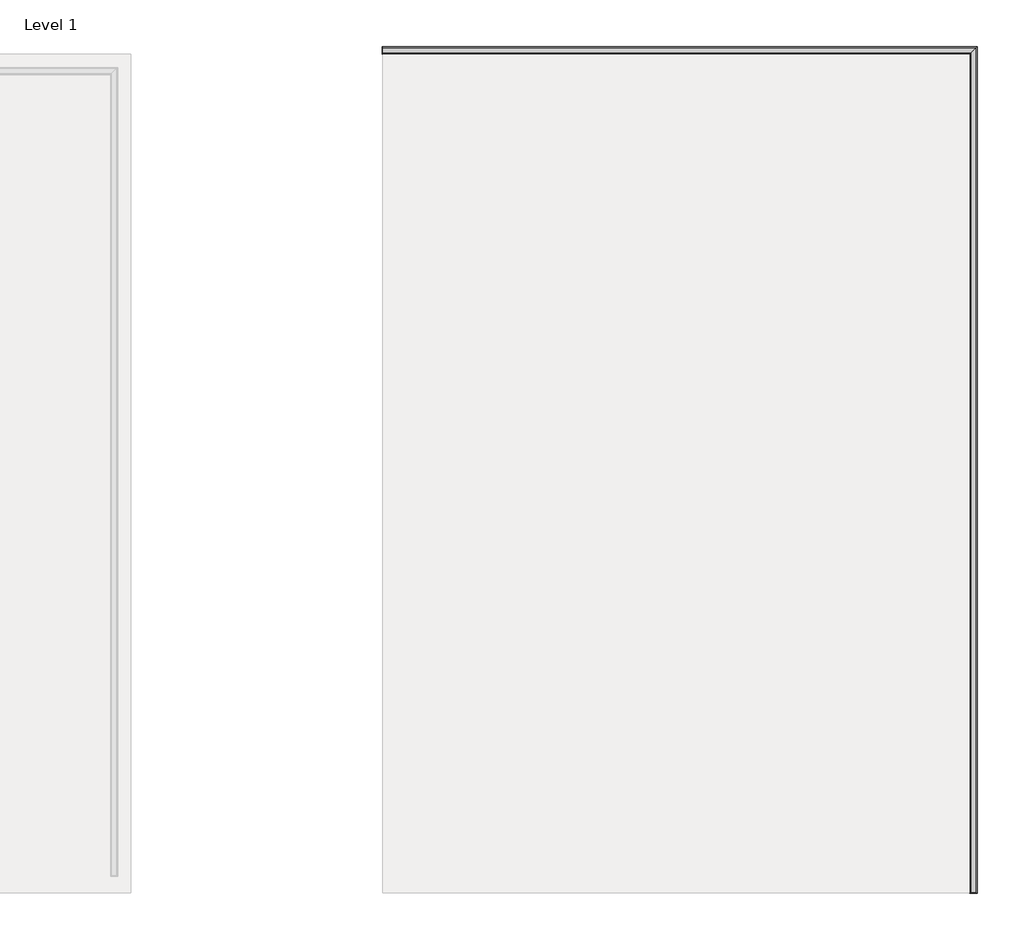
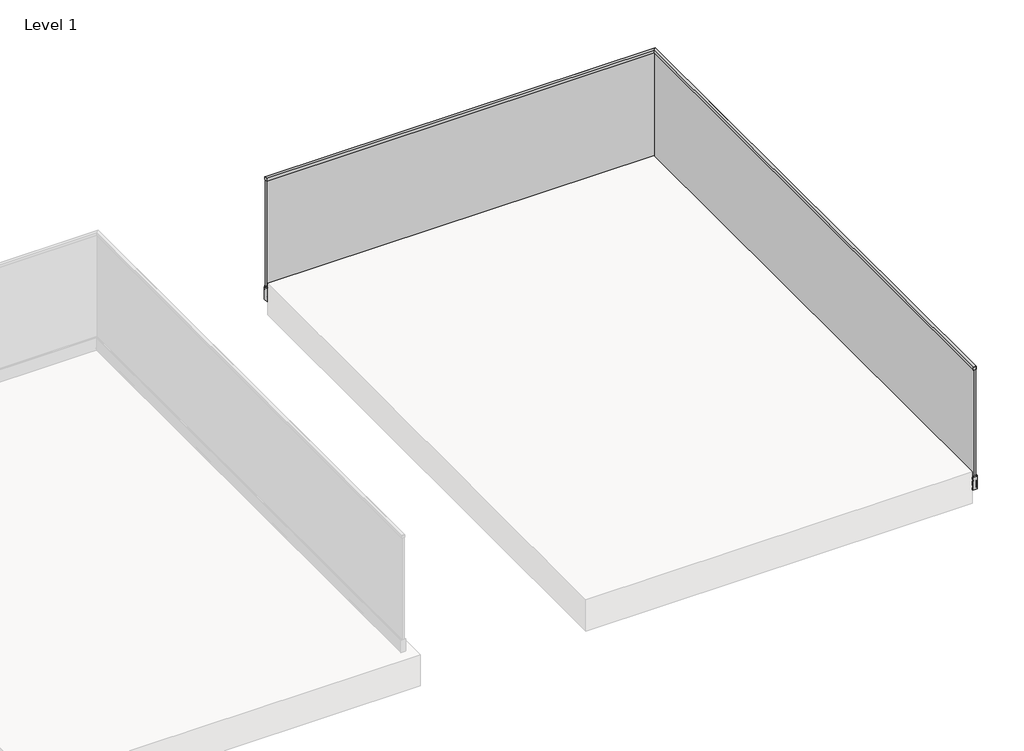
# One storey, part 5 of 11: 1 railing.
"""IFC4 building model written with IfcOpenShell, lengths in millimetres."""

from ifc_helpers import new_model, si_unit, frame, origin, place, context, project, spatial, polyline, circle_curve, ellipse_curve, outline, extrude, faceted_brep, element, save
from ifc_brep_helpers import plane_surface, cylinder_surface, revolved_surface, advanced_brep

model = new_model("IFC4")

# Units and contexts
model_context = context("Model", 3, world=origin())
ifc_project = project(units=[si_unit("LENGTHUNIT", "METRE", prefix="MILLI")], contexts=[model_context])

# Site, building, storey
site = spatial("IfcSite", under=ifc_project)
building = spatial("IfcBuilding", under=site)
storey = spatial("IfcBuildingStorey", under=building, Name="Level 1", Elevation=0.0)

# Railing
placement = place(None, origin())
element("IfcRailing", 1, at=placement, inside=storey, context=model_context, shape_type="SolidModel", body=[
    extrude(outline(polyline([(-44851.8362173, 997.25), (-44827.8362173, 997.25), (-44827.8362173, 976.25), (-44829.3362173, 976.25), (-44829.3362173, 995.75), (-44850.3362173, 995.75), (-44850.3362173, 976.25), (-44851.8362173, 976.25), (-44851.8362173, 997.25)])), frame((-8668.5524845, 0.0, 0.0), z_axis=(1.0, 0.0, 0.0), x_axis=(0.0, 1.0, 0.0)), (0.0, 0.0, 1.0), 18.0),
    extrude(outline(polyline([(-8670.5524845, -44853.8362173), (-8670.5524845, -44825.8362173), (-8668.5524845, -44825.8362173), (-8668.5524845, -44853.8362173), (-8670.5524845, -44853.8362173)])), frame((0.0, 0.0, 974.25), z_axis=(0.0, 0.0, 1.0), x_axis=(1.0, 0.0, 0.0)), (0.0, 0.0, 1.0), 25.0),
    extrude(outline(polyline([(997.25, -5132.0524845), (997.25, -5156.0524845), (976.25, -5156.0524845), (976.25, -5154.5524845), (995.75, -5154.5524845), (995.75, -5133.5524845), (976.25, -5133.5524845), (976.25, -5132.0524845), (997.25, -5132.0524845)])), frame((0.0, -49864.3362173, 0.0), z_axis=(0.0, 1.0, 0.0), x_axis=(0.0, 0.0, 1.0)), (0.0, 0.0, 1.0), 18.0),
    extrude(outline(polyline([(-5130.0524845, -49866.3362173), (-5158.0524845, -49866.3362173), (-5158.0524845, -49864.3362173), (-5130.0524845, -49864.3362173), (-5130.0524845, -49866.3362173)])), frame((0.0, 0.0, 974.25), z_axis=(0.0, 0.0, 1.0), x_axis=(1.0, 0.0, 0.0)), (0.0, 0.0, 1.0), 25.0),
    faceted_brep([(-5156.0524845, -49864.3362173, 997.0), (-5132.0524845, -49864.3362173, 997.0), (-5132.0524845, -49864.3362173, 974.5), (-5130.5524845, -49864.3362173, 974.5), (-5130.5524845, -49864.3362173, 999.0), (-5157.5524845, -49864.3362173, 999.0), (-5157.5524845, -49864.3362173, 974.5), (-5156.0524845, -49864.3362173, 974.5), (-5156.0524845, -49863.3362173, 997.0), (-5132.0524845, -49863.3362173, 997.0), (-5132.0524845, -49863.3362173, 974.5), (-5130.5524845, -49863.3362173, 974.5), (-5130.5524845, -49863.3362173, 999.0), (-5157.5524845, -49863.3362173, 999.0), (-5157.5524845, -49863.3362173, 974.5), (-5156.0524845, -49863.3362173, 974.5), (-5156.0524845, -44851.8362173, 997.0), (-5132.0524845, -44827.8362173, 997.0), (-5132.0524845, -44827.8362173, 974.5), (-5130.5524845, -44826.3362173, 974.5), (-5130.5524845, -44826.3362173, 999.0), (-5157.5524845, -44853.3362173, 999.0), (-5157.5524845, -44853.3362173, 974.5), (-5156.0524845, -44851.8362173, 974.5), (-8667.5524845, -44851.8362173, 997.0), (-8667.5524845, -44827.8362173, 997.0), (-8667.5524845, -44827.8362173, 974.5), (-8667.5524845, -44826.3362173, 974.5), (-8667.5524845, -44826.3362173, 999.0), (-8667.5524845, -44853.3362173, 999.0), (-8667.5524845, -44853.3362173, 974.5), (-8667.5524845, -44851.8362173, 974.5), (-8668.5524845, -44851.8362173, 997.0), (-8668.5524845, -44851.8362173, 974.5), (-8668.5524845, -44853.3362173, 974.5), (-8668.5524845, -44853.3362173, 999.0), (-8668.5524845, -44826.3362173, 999.0), (-8668.5524845, -44826.3362173, 974.5), (-8668.5524845, -44827.8362173, 974.5), (-8668.5524845, -44827.8362173, 997.0)], [[[0, 1, 2, 3, 4, 5, 6, 7]], [[1, 0, 8, 9]], [[2, 1, 9, 10]], [[3, 2, 10, 11]], [[4, 3, 11, 12]], [[5, 4, 12, 13]], [[6, 5, 13, 14]], [[7, 6, 14, 15]], [[0, 7, 15, 8]], [[9, 8, 16, 17]], [[10, 9, 17, 18]], [[11, 10, 18, 19]], [[12, 11, 19, 20]], [[13, 12, 20, 21]], [[14, 13, 21, 22]], [[15, 14, 22, 23]], [[8, 15, 23, 16]], [[17, 16, 24, 25]], [[18, 17, 25, 26]], [[19, 18, 26, 27]], [[20, 19, 27, 28]], [[21, 20, 28, 29]], [[22, 21, 29, 30]], [[23, 22, 30, 31]], [[16, 23, 31, 24]], [[32, 33, 34, 35, 36, 37, 38, 39]], [[25, 24, 32, 39]], [[26, 25, 39, 38]], [[27, 26, 38, 37]], [[28, 27, 37, 36]], [[29, 28, 36, 35]], [[30, 29, 35, 34]], [[31, 30, 34, 33]], [[24, 31, 33, 32]]]),
    faceted_brep([(-5135.2924845, -49863.3362173, 993.0), (-5152.8124845, -49863.3362173, 993.0), (-5152.8124845, -49863.3362173, -157.0), (-5135.2924845, -49863.3362173, -157.0), (-5135.2924845, -44831.0762173, 993.0), (-5152.8124845, -44848.5962173, 993.0), (-5152.8124845, -44848.5962173, -157.0), (-5135.2924845, -44831.0762173, -157.0), (-8667.5524845, -44831.0762173, 993.0), (-8667.5524845, -44831.0762173, -157.0), (-8667.5524845, -44848.5962173, -157.0), (-8667.5524845, -44848.5962173, 993.0)], [[[0, 1, 2, 3]], [[1, 0, 4, 5]], [[2, 1, 5, 6]], [[3, 2, 6, 7]], [[0, 3, 7, 4]], [[8, 9, 10, 11]], [[5, 4, 8, 11]], [[6, 5, 11, 10]], [[7, 6, 10, 9]], [[4, 7, 9, 8]]]),
    faceted_brep([(-5156.5524845, -49863.3362173, -160.0), (-5156.5524845, -49863.3362173, -140.0), (-5160.5905785, -49863.3362173, -50.0), (-5166.4524845, -49863.3362173, -50.0), (-5167.5524845, -49863.3362173, -51.1), (-5167.5524845, -49863.3362173, -69.1), (-5165.0524845, -49863.3362173, -71.6), (-5165.0524845, -49863.3362173, -88.0), (-5167.5524845, -49863.3362173, -90.5), (-5167.5524845, -49863.3362173, -129.5), (-5165.0524845, -49863.3362173, -132.0), (-5165.0524845, -49863.3362173, -148.0), (-5167.5524845, -49863.3362173, -150.5), (-5167.5524845, -49863.3362173, -170.0), (-5122.5524844, -49863.3362173, -170.0), (-5122.5524844, -49863.3362173, -168.0), (-5126.8024844, -49863.3362173, -167.4027015), (-5126.8024844, -49863.3362173, -165.7499556), (-5123.0524844, -49863.3362173, -165.7499556), (-5123.0524844, -49863.3362173, -49.0), (-5124.0524844, -49863.3362173, -49.0), (-5125.0524844, -49863.3362173, -50.0), (-5128.7524845, -49863.3362173, -50.0), (-5128.7524845, -49863.3362173, -70.0), (-5127.7524845, -49863.3362173, -70.5773503), (-5131.5524845, -49863.3362173, -93.5), (-5131.5524845, -49863.3362173, -160.0), (-8667.5524845, -44852.3362173, -160.0), (-8667.5524845, -44827.3362173, -160.0), (-8667.5524845, -44827.3362173, -93.5), (-8667.5524845, -44823.5362173, -70.5773503), (-8667.5524845, -44824.5362173, -70.0), (-8667.5524845, -44824.5362173, -50.0), (-8667.5524845, -44820.8362172, -50.0), (-8667.5524845, -44819.8362172, -49.0), (-8667.5524845, -44818.8362172, -49.0), (-8667.5524845, -44818.8362172, -165.7499556), (-8667.5524845, -44822.5862172, -165.7499556), (-8667.5524845, -44822.5862172, -167.4027015), (-8667.5524845, -44818.3362172, -168.0), (-8667.5524845, -44818.3362172, -170.0), (-8667.5524845, -44863.3362173, -170.0), (-8667.5524845, -44863.3362173, -150.5), (-8667.5524845, -44860.8362173, -148.0), (-8667.5524845, -44860.8362173, -132.0), (-8667.5524845, -44863.3362173, -129.5), (-8667.5524845, -44863.3362173, -90.5), (-8667.5524845, -44860.8362173, -88.0), (-8667.5524845, -44860.8362173, -71.6), (-8667.5524845, -44863.3362173, -69.1), (-8667.5524845, -44863.3362173, -51.1), (-8667.5524845, -44862.2362173, -50.0), (-8667.5524845, -44856.3743114, -50.0), (-8667.5524845, -44852.3362173, -140.0), (-5156.5524845, -44852.3362173, -160.0), (-5156.5524845, -44852.3362173, -140.0), (-5160.5905785, -44856.3743114, -50.0), (-5166.4524845, -44862.2362173, -50.0), (-5167.5524845, -44863.3362173, -51.1), (-5167.5524845, -44863.3362173, -69.1), (-5165.0524845, -44860.8362173, -71.6), (-5165.0524845, -44860.8362173, -88.0), (-5167.5524845, -44863.3362173, -90.5), (-5167.5524845, -44863.3362173, -129.5), (-5165.0524845, -44860.8362173, -132.0), (-5165.0524845, -44860.8362173, -148.0), (-5167.5524845, -44863.3362173, -150.5), (-5167.5524845, -44863.3362173, -170.0), (-5122.5524844, -44818.3362172, -170.0), (-5122.5524844, -44818.3362172, -168.0), (-5126.8024844, -44822.5862172, -167.4027015), (-5126.8024844, -44822.5862172, -165.7499556), (-5123.0524844, -44818.8362172, -165.7499556), (-5123.0524844, -44818.8362172, -49.0), (-5124.0524844, -44819.8362172, -49.0), (-5125.0524844, -44820.8362172, -50.0), (-5128.7524845, -44824.5362173, -50.0), (-5128.7524845, -44824.5362173, -70.0), (-5127.7524845, -44823.5362173, -70.5773503), (-5131.5524845, -44827.3362173, -93.5), (-5131.5524845, -44827.3362173, -160.0)], [[[0, 1, 2, 3, 4, 5, 6, 7, 8, 9, 10, 11, 12, 13, 14, 15, 16, 17, 18, 19, 20, 21, 22, 23, 24, 25, 26]], [[27, 28, 29, 30, 31, 32, 33, 34, 35, 36, 37, 38, 39, 40, 41, 42, 43, 44, 45, 46, 47, 48, 49, 50, 51, 52, 53]], [[1, 0, 54, 55]], [[2, 1, 55, 56]], [[3, 2, 56, 57]], [[4, 3, 57, 58]], [[5, 4, 58, 59]], [[6, 5, 59, 60]], [[7, 6, 60, 61]], [[8, 7, 61, 62]], [[9, 8, 62, 63]], [[10, 9, 63, 64]], [[11, 10, 64, 65]], [[12, 11, 65, 66]], [[13, 12, 66, 67]], [[14, 13, 67, 68]], [[15, 14, 68, 69]], [[16, 15, 69, 70]], [[17, 16, 70, 71]], [[18, 17, 71, 72]], [[19, 18, 72, 73]], [[20, 19, 73, 74]], [[22, 21, 75, 76]], [[23, 22, 76, 77]], [[24, 23, 77, 78]], [[25, 24, 78, 79]], [[26, 25, 79, 80]], [[0, 26, 80, 54]], [[55, 54, 27, 53]], [[56, 55, 53, 52]], [[57, 56, 52, 51]], [[58, 57, 51, 50]], [[59, 58, 50, 49]], [[60, 59, 49, 48]], [[61, 60, 48, 47]], [[62, 61, 47, 46]], [[63, 62, 46, 45]], [[64, 63, 45, 44]], [[65, 64, 44, 43]], [[66, 65, 43, 42]], [[67, 66, 42, 41]], [[68, 67, 41, 40]], [[69, 68, 40, 39]], [[70, 69, 39, 38]], [[71, 70, 38, 37]], [[72, 71, 37, 36]], [[73, 72, 36, 35]], [[74, 73, 35, 34]], [[76, 75, 33, 32]], [[77, 76, 32, 31]], [[78, 77, 31, 30]], [[79, 78, 30, 29]], [[80, 79, 29, 28]], [[54, 80, 28, 27]], [[21, 20, 74, 75]], [[75, 74, 34, 33]]]),
    advanced_brep(
    [(-5132.7524845, -49863.3362173, -159.8), (-5131.7524845, -49863.3362173, -158.8), (-5131.7524845, -49863.3362173, -93.4835349), (-5127.9724455, -49863.3362173, -70.6812958), (-5128.9524845, -49863.3362173, -70.1154701), (-5128.9524845, -49863.3362173, -49.085069), (-5132.6283203, -49863.3362173, -46.9175211), (-5133.5024845, -49863.3362173, -47.2491854), (-5133.5024845, -49863.3362173, -158.0), (-5154.3654461, -49863.3362173, -158.0), (-5154.6509663, -49863.3362173, -159.8), (-8667.5524845, -44828.5362173, -159.8), (-8667.5524845, -44850.4346992, -159.8), (-8667.5524845, -44850.149179, -158.0), (-8667.5524845, -44829.2862173, -158.0), (-8667.5524845, -44829.2862173, -47.2491854), (-8667.5524845, -44828.4120532, -46.9175211), (-8667.5524845, -44824.7362173, -49.085069), (-8667.5524845, -44824.7362173, -70.1154701), (-8667.5524845, -44823.7561784, -70.6812958), (-8667.5524845, -44827.5362173, -93.4835349), (-8667.5524845, -44827.5362173, -158.8), (-5132.7524845, -44828.5362173, -159.8), (-5131.7524845, -44827.5362173, -158.8), (-5131.7524845, -44827.5362173, -93.4835349), (-5127.9724455, -44823.7561784, -70.6812958), (-5128.9524845, -44824.7362173, -70.1154701), (-5128.9524845, -44824.7362173, -49.085069), (-5132.6283203, -44828.4120532, -46.9175211), (-5133.5024845, -44829.2862173, -47.2491854), (-5133.5024845, -44829.2862173, -158.0), (-5154.3654461, -44850.149179, -158.0), (-5154.6509663, -44850.4346992, -159.8)],
    [
        (0, 1, circle_curve(frame((-5132.7524845, -49863.3362173, -158.8), z_axis=(0.0, -1.0, 0.0), x_axis=(1.0, 0.0, 0.0)), 1.0)),
        (1, 2),
        (2, 3),
        (3, 4),
        (4, 5),
        (5, 6, circle_curve(frame((-5127.4387724, -49863.3362173, -42.3174336), z_axis=(0.0, 1.0, 0.0), x_axis=(1.0, 0.0, 0.0)), 6.9348549)),
        (6, 7, circle_curve(frame((-5133.0024845, -49863.3362173, -47.2491854), z_axis=(0.0, -1.0, 0.0), x_axis=(1.0, 0.0, 0.0)), 0.5)),
        (7, 8),
        (8, 9),
        (9, 10, circle_curve(frame((-5153.9940214, -49863.3362173, -158.9815612), z_axis=(0.0, -1.0, 0.0), x_axis=(1.0, 0.0, 0.0)), 1.049485)),
        (10, 0),
        (11, 12),
        (12, 13, circle_curve(frame((-8667.5524845, -44849.7777543, -158.9815612), z_axis=(-1.0, 0.0, 0.0), x_axis=(0.0, 1.0, 0.0)), 1.049485)),
        (13, 14),
        (14, 15),
        (15, 16, circle_curve(frame((-8667.5524845, -44828.7862173, -47.2491854), z_axis=(-1.0, 0.0, 0.0), x_axis=(0.0, 1.0, 0.0)), 0.5)),
        (16, 17, circle_curve(frame((-8667.5524845, -44823.2225052, -42.3174336), z_axis=(1.0, 0.0, 0.0), x_axis=(0.0, 1.0, 0.0)), 6.9348549)),
        (17, 18),
        (18, 19),
        (19, 20),
        (20, 21),
        (21, 11, circle_curve(frame((-8667.5524845, -44828.5362173, -158.8), z_axis=(-1.0, 0.0, 0.0), x_axis=(0.0, 1.0, 0.0)), 1.0)),
        (0, 22),
        (22, 23, ellipse_curve(frame((-5132.7524845, -44828.5362173, -158.8), z_axis=(0.7071067811865475, -0.7071067811865475, 0.0), x_axis=(-0.7071067811865474, -0.7071067811865476, 0.0)), 1.4142136, 1.0)),
        (23, 1),
        (23, 24),
        (24, 2),
        (24, 25),
        (25, 3),
        (25, 26),
        (26, 4),
        (26, 27),
        (27, 5),
        (27, 28, ellipse_curve(frame((-5127.4387724, -44823.2225052, -42.3174336), z_axis=(-0.7071067811865475, 0.7071067811865475, 0.0), x_axis=(0.7071067811865474, 0.7071067811865476, 0.0)), 9.8073659, 6.9348549)),
        (28, 6),
        (28, 29, ellipse_curve(frame((-5133.0024845, -44828.7862173, -47.2491854), z_axis=(0.7071067811865475, -0.7071067811865475, 0.0), x_axis=(-0.7071067811865474, -0.7071067811865476, 0.0)), 0.7071068, 0.5)),
        (29, 7),
        (29, 30),
        (30, 8),
        (30, 31),
        (31, 9),
        (31, 32, ellipse_curve(frame((-5153.9940214, -44849.7777543, -158.9815612), z_axis=(0.7071067811865475, -0.7071067811865475, 0.0), x_axis=(-0.7071067811865474, -0.7071067811865476, 0.0)), 1.4841959, 1.049485)),
        (32, 10),
        (32, 22),
        (22, 11),
        (21, 23),
        (20, 24),
        (19, 25),
        (18, 26),
        (17, 27),
        (16, 28),
        (15, 29),
        (14, 30),
        (13, 31),
        (12, 32),
    ],
    [
        plane_surface(frame((-5144.0524845, -49863.3362173, -170.0), z_axis=(0.0, -1.0, 0.0), x_axis=(0.0, 0.0, 1.0))),
        plane_surface(frame((-8667.5524845, -44839.8362173, -170.0), z_axis=(-1.0, 0.0, 0.0), x_axis=(0.0, -1.0, 0.0))),
        cylinder_surface(frame((-5132.7524845, -49863.3362173, -158.8), z_axis=(0.0, -1.0, 0.0), x_axis=(1.0, 0.0, 0.0)), 1.0),
        plane_surface(frame((-5131.7524845, -49863.3362173, -158.8), z_axis=(1.0, 0.0, 0.0), x_axis=(0.0, 1.0, 0.0))),
        plane_surface(frame((-5131.7524845, -49863.3362173, -93.4835349), z_axis=(0.9865362159973996, 0.0, -0.16354294397965363), x_axis=(0.0, 1.0, 0.0))),
        plane_surface(frame((-5127.9724455, -49863.3362173, -70.6812958), z_axis=(0.4999999999996261, 0.0, 0.8660254037846546), x_axis=(0.0, 1.0, 0.0))),
        plane_surface(frame((-5128.9524845, -49863.3362173, -70.1154701), z_axis=(1.0, 0.0, 0.0), x_axis=(0.0, 1.0, 0.0))),
        revolved_surface(polyline([(-5120.5039175, -44816.28765026653, -42.3174336), (-5120.5039175, -49863.3362173, -42.3174336)]), (-5127.4387724, -49863.3362173, -42.3174336), (0.0, 1.0, 0.0)),
        cylinder_surface(frame((-5133.0024845, -49863.3362173, -47.2491854), z_axis=(0.0, -1.0, 0.0), x_axis=(1.0, 0.0, 0.0)), 0.5),
        plane_surface(frame((-5133.5024845, -49863.3362173, -47.2491854), z_axis=(-1.0, 0.0, 0.0), x_axis=(0.0, 1.0, 0.0))),
        plane_surface(frame((-5133.5024845, -49863.3362173, -158.0), z_axis=(0.0, 0.0, 1.0), x_axis=(0.0, 1.0, 0.0))),
        cylinder_surface(frame((-5153.9940214, -49863.3362173, -158.9815612), z_axis=(0.0, -1.0, 0.0), x_axis=(1.0, 0.0, 0.0)), 1.049485),
        plane_surface(frame((-5154.6509663, -49863.3362173, -159.8), z_axis=(0.0, 0.0, -1.0), x_axis=(0.0, 1.0, 0.0))),
        cylinder_surface(frame((-5144.0524845, -44828.5362173, -158.8), z_axis=(1.0, 0.0, 0.0), x_axis=(0.0, 1.0, 0.0)), 1.0),
        plane_surface(frame((-5131.7524845, -44827.5362173, -158.8), z_axis=(0.0, 1.0, 0.0), x_axis=(-1.0, 0.0, 0.0))),
        plane_surface(frame((-5131.7524845, -44827.5362173, -93.4835349), z_axis=(0.0, 0.9865362159973996, -0.16354294397965363), x_axis=(-1.0, 0.0, 0.0))),
        plane_surface(frame((-5127.9724455, -44823.7561784, -70.6812958), z_axis=(0.0, 0.4999999999996261, 0.8660254037846546), x_axis=(-1.0, 0.0, 0.0))),
        plane_surface(frame((-5128.9524845, -44824.7362173, -70.1154701), z_axis=(0.0, 1.0, 0.0), x_axis=(-1.0, 0.0, 0.0))),
        revolved_surface(polyline([(-8667.5524845, -44816.2876503, -42.3174336), (-5120.503917466533, -44816.2876503, -42.3174336)]), (-5144.0524845, -44823.2225052, -42.3174336), (-1.0, 0.0, 0.0)),
        cylinder_surface(frame((-5144.0524845, -44828.7862173, -47.2491854), z_axis=(1.0, 0.0, 0.0), x_axis=(0.0, 1.0, 0.0)), 0.5),
        plane_surface(frame((-5133.5024845, -44829.2862173, -47.2491854), z_axis=(0.0, -1.0, 0.0), x_axis=(-1.0, 0.0, 0.0))),
        plane_surface(frame((-5133.5024845, -44829.2862173, -158.0), z_axis=(0.0, 0.0, 1.0), x_axis=(-1.0, 0.0, 0.0))),
        cylinder_surface(frame((-5144.0524845, -44849.7777543, -158.9815612), z_axis=(1.0, 0.0, 0.0), x_axis=(0.0, 1.0, 0.0)), 1.049485),
        plane_surface(frame((-5154.6509663, -44850.4346992, -159.8), z_axis=(0.0, 0.0, -1.0), x_axis=(-1.0, 0.0, 0.0))),
    ],
    [
        (0, [[1, 2, 3, 4, 5, 6, 7, 8, 9, 10, 11]]),
        (1, [[12, 13, 14, 15, 16, 17, 18, 19, 20, 21, 22]]),
        (2, [[-1, 23, 24, 25]]),
        (3, [[-2, -25, 26, 27]]),
        (4, [[-3, -27, 28, 29]]),
        (5, [[-4, -29, 30, 31]]),
        (6, [[-5, -31, 32, 33]]),
        (7, [[-6, -33, 34, 35]]),
        (8, [[-7, -35, 36, 37]]),
        (9, [[-8, -37, 38, 39]]),
        (10, [[-9, -39, 40, 41]]),
        (11, [[-10, -41, 42, 43]]),
        (12, [[-11, -43, 44, -23]]),
        (13, [[-24, 45, -22, 46]]),
        (14, [[-26, -46, -21, 47]]),
        (15, [[-28, -47, -20, 48]]),
        (16, [[-30, -48, -19, 49]]),
        (17, [[-32, -49, -18, 50]]),
        (18, [[-34, -50, -17, 51]]),
        (19, [[-36, -51, -16, 52]]),
        (20, [[-38, -52, -15, 53]]),
        (21, [[-40, -53, -14, 54]]),
        (22, [[-42, -54, -13, 55]]),
        (23, [[-44, -55, -12, -45]]),
    ],
),
    faceted_brep([(-5156.6367966, -49863.3362173, -133.6588405), (-5154.6615116, -49863.3362173, -133.6588405), (-5154.6615116, -49863.3362173, -81.1555206), (-5158.9925004, -49863.3362173, -81.1555206), (-8667.5524845, -44852.4205294, -133.6588405), (-8667.5524845, -44854.7762332, -81.1555206), (-8667.5524845, -44850.4452444, -81.1555206), (-8667.5524845, -44850.4452444, -133.6588405), (-5156.6367966, -44852.4205294, -133.6588405), (-5154.6615116, -44850.4452444, -133.6588405), (-5154.6615116, -44850.4452444, -81.1555206), (-5158.9925004, -44854.7762332, -81.1555206)], [[[0, 1, 2, 3]], [[4, 5, 6, 7]], [[1, 0, 8, 9]], [[2, 1, 9, 10]], [[3, 2, 10, 11]], [[0, 3, 11, 8]], [[9, 8, 4, 7]], [[10, 9, 7, 6]], [[11, 10, 6, 5]], [[8, 11, 5, 4]]]),
    advanced_brep(
    [(-5160.0054952, -49863.3362173, -58.5781539), (-5158.6516946, -49863.3362173, -61.6445119), (-5155.5780692, -49863.3362173, -61.6445119), (-5154.6024845, -49863.3362173, -60.8641353), (-5154.6024845, -49863.3362173, -48.1232152), (-5155.197889, -49863.3362173, -47.6324016), (-5160.4507934, -49863.3362173, -48.6534628), (-8667.5524845, -44855.789228, -58.5781539), (-8667.5524845, -44856.2345262, -48.6534628), (-8667.5524845, -44850.9816218, -47.6324016), (-8667.5524845, -44850.3862173, -48.1232152), (-8667.5524845, -44850.3862173, -60.8641353), (-8667.5524845, -44851.361802, -61.6445119), (-8667.5524845, -44854.4354274, -61.6445119), (-5160.0054952, -44855.789228, -58.5781539), (-5158.6516946, -44854.4354274, -61.6445119), (-5155.5780692, -44851.361802, -61.6445119), (-5154.6024845, -44850.3862173, -60.8641353), (-5154.6024845, -44850.3862173, -48.1232152), (-5155.197889, -44850.9816218, -47.6324016), (-5160.4507934, -44856.2345262, -48.6534628)],
    [
        (0, 1, circle_curve(frame((-5144.4018545, -49863.3362173, -53.5211599), z_axis=(0.0, -1.0, 0.0), x_axis=(1.0, 0.0, 0.0)), 16.4026458)),
        (1, 2),
        (2, 3, circle_curve(frame((-5155.5780692, -49863.3362173, -60.6445119), z_axis=(0.0, -1.0, 0.0), x_axis=(1.0, 0.0, 0.0)), 1.0)),
        (3, 4),
        (4, 5, circle_curve(frame((-5155.1024845, -49863.3362173, -48.1232152), z_axis=(0.0, -1.0, 0.0), x_axis=(1.0, 0.0, 0.0)), 0.5)),
        (5, 6),
        (6, 0),
        (7, 8),
        (8, 9),
        (9, 10, circle_curve(frame((-8667.5524845, -44850.8862173, -48.1232152), z_axis=(-1.0, 0.0, 0.0), x_axis=(0.0, 1.0, 0.0)), 0.5)),
        (10, 11),
        (11, 12, circle_curve(frame((-8667.5524845, -44851.361802, -60.6445119), z_axis=(-1.0, 0.0, 0.0), x_axis=(0.0, 1.0, 0.0)), 1.0)),
        (12, 13),
        (13, 7, circle_curve(frame((-8667.5524845, -44840.1855874, -53.5211599), z_axis=(-1.0, 0.0, 0.0), x_axis=(0.0, 1.0, 0.0)), 16.4026458)),
        (0, 14),
        (14, 15, ellipse_curve(frame((-5144.4018545, -44840.1855874, -53.5211599), z_axis=(0.7071067811865475, -0.7071067811865475, 0.0), x_axis=(-0.7071067811865474, -0.7071067811865476, 0.0)), 23.1968442, 16.4026458)),
        (15, 1),
        (15, 16),
        (16, 2),
        (16, 17, ellipse_curve(frame((-5155.5780692, -44851.361802, -60.6445119), z_axis=(0.7071067811865475, -0.7071067811865475, 0.0), x_axis=(-0.7071067811865474, -0.7071067811865476, 0.0)), 1.4142136, 1.0)),
        (17, 3),
        (17, 18),
        (18, 4),
        (18, 19, ellipse_curve(frame((-5155.1024845, -44850.8862173, -48.1232152), z_axis=(0.7071067811865475, -0.7071067811865475, 0.0), x_axis=(-0.7071067811865474, -0.7071067811865476, 0.0)), 0.7071068, 0.5)),
        (19, 5),
        (19, 20),
        (20, 6),
        (20, 14),
        (14, 7),
        (13, 15),
        (12, 16),
        (11, 17),
        (10, 18),
        (9, 19),
        (8, 20),
    ],
    [
        plane_surface(frame((-5144.0524845, -49863.3362173, -170.0), z_axis=(0.0, -1.0, 0.0), x_axis=(0.0, 0.0, 1.0))),
        plane_surface(frame((-8667.5524845, -44839.8362173, -170.0), z_axis=(-1.0, 0.0, 0.0), x_axis=(0.0, -1.0, 0.0))),
        cylinder_surface(frame((-5144.4018545, -49863.3362173, -53.5211599), z_axis=(0.0, -1.0, 0.0), x_axis=(1.0, 0.0, 0.0)), 16.4026458),
        plane_surface(frame((-5158.6516946, -49863.3362173, -61.6445119), z_axis=(0.0, 0.0, -1.0), x_axis=(0.0, 1.0, 0.0))),
        cylinder_surface(frame((-5155.5780692, -49863.3362173, -60.6445119), z_axis=(0.0, -1.0, 0.0), x_axis=(1.0, 0.0, 0.0)), 1.0),
        plane_surface(frame((-5154.6024845, -49863.3362173, -60.8641353), z_axis=(1.0, 0.0, 0.0), x_axis=(0.0, 1.0, 0.0))),
        cylinder_surface(frame((-5155.1024845, -49863.3362173, -48.1232152), z_axis=(0.0, -1.0, 0.0), x_axis=(1.0, 0.0, 0.0)), 0.5),
        plane_surface(frame((-5155.197889, -49863.3362173, -47.6324016), z_axis=(-0.19080899537654455, 0.0, 0.9816271834476641), x_axis=(0.0, 1.0, 0.0))),
        plane_surface(frame((-5160.4507934, -49863.3362173, -48.6534628), z_axis=(-0.9989949613987466, 0.0, -0.04482261817338369), x_axis=(0.0, 1.0, 0.0))),
        cylinder_surface(frame((-5144.0524845, -44840.1855874, -53.5211599), z_axis=(1.0, 0.0, 0.0), x_axis=(0.0, 1.0, 0.0)), 16.4026458),
        plane_surface(frame((-5158.6516946, -44854.4354274, -61.6445119), z_axis=(0.0, 0.0, -1.0), x_axis=(-1.0, 0.0, 0.0))),
        cylinder_surface(frame((-5144.0524845, -44851.361802, -60.6445119), z_axis=(1.0, 0.0, 0.0), x_axis=(0.0, 1.0, 0.0)), 1.0),
        plane_surface(frame((-5154.6024845, -44850.3862173, -60.8641353), z_axis=(0.0, 1.0, 0.0), x_axis=(-1.0, 0.0, 0.0))),
        cylinder_surface(frame((-5144.0524845, -44850.8862173, -48.1232152), z_axis=(1.0, 0.0, 0.0), x_axis=(0.0, 1.0, 0.0)), 0.5),
        plane_surface(frame((-5155.197889, -44850.9816218, -47.6324016), z_axis=(0.0, -0.19080899537654455, 0.9816271834476641), x_axis=(-1.0, 0.0, 0.0))),
        plane_surface(frame((-5160.4507934, -44856.2345262, -48.6534628), z_axis=(0.0, -0.9989949613987466, -0.04482261817338369), x_axis=(-1.0, 0.0, 0.0))),
    ],
    [
        (0, [[1, 2, 3, 4, 5, 6, 7]]),
        (1, [[8, 9, 10, 11, 12, 13, 14]]),
        (2, [[-1, 15, 16, 17]]),
        (3, [[-2, -17, 18, 19]]),
        (4, [[-3, -19, 20, 21]]),
        (5, [[-4, -21, 22, 23]]),
        (6, [[-5, -23, 24, 25]]),
        (7, [[-6, -25, 26, 27]]),
        (8, [[-7, -27, 28, -15]]),
        (9, [[-16, 29, -14, 30]]),
        (10, [[-18, -30, -13, 31]]),
        (11, [[-20, -31, -12, 32]]),
        (12, [[-22, -32, -11, 33]]),
        (13, [[-24, -33, -10, 34]]),
        (14, [[-26, -34, -9, 35]]),
        (15, [[-28, -35, -8, -29]]),
    ],
),
    faceted_brep([(-5122.0524844, -49863.3362173, -167.8683049), (-5122.0524844, -49863.3362173, -176.5), (-5120.5524844, -49863.3362173, -176.5), (-5120.5524844, -49863.3362173, -46.5), (-5131.5524844, -49863.3362173, -46.5), (-5131.5524844, -49863.3362173, -48.0), (-5128.366698, -49863.3362173, -48.0), (-5126.566698, -49863.3362173, -49.8), (-5125.1353271, -49863.3362173, -49.8), (-5123.3353271, -49863.3362173, -48.0), (-5122.0524844, -49863.3362173, -48.0), (-5122.0524844, -49863.3362173, -165.9499556), (-5126.4223452, -49863.3362173, -165.9499556), (-5126.4223452, -49863.3362173, -167.254161), (-5122.0524844, -44817.8362172, -167.8683049), (-5122.0524844, -44817.8362172, -176.5), (-5120.5524844, -44816.3362172, -176.5), (-5120.5524844, -44816.3362172, -46.5), (-5131.5524844, -44827.3362172, -46.5), (-5131.5524844, -44827.3362172, -48.0), (-5128.366698, -44824.1504308, -48.0), (-5126.566698, -44822.3504308, -49.8), (-5125.1353271, -44820.9190599, -49.8), (-5123.3353271, -44819.1190599, -48.0), (-5122.0524844, -44817.8362172, -48.0), (-5122.0524844, -44817.8362172, -165.9499556), (-5126.4223452, -44822.206078, -165.9499556), (-5126.4223452, -44822.206078, -167.254161), (-8667.5524845, -44817.8362172, -167.8683049), (-8667.5524845, -44822.206078, -167.254161), (-8667.5524845, -44822.206078, -165.9499556), (-8667.5524845, -44817.8362172, -165.9499556), (-8667.5524845, -44817.8362172, -48.0), (-8667.5524845, -44819.1190599, -48.0), (-8667.5524845, -44820.9190599, -49.8), (-8667.5524845, -44822.3504308, -49.8), (-8667.5524845, -44824.1504308, -48.0), (-8667.5524845, -44827.3362172, -48.0), (-8667.5524845, -44827.3362172, -46.5), (-8667.5524845, -44816.3362172, -46.5), (-8667.5524845, -44816.3362172, -176.5), (-8667.5524845, -44817.8362172, -176.5)], [[[0, 1, 2, 3, 4, 5, 6, 7, 8, 9, 10, 11, 12, 13]], [[1, 0, 14, 15]], [[2, 1, 15, 16]], [[3, 2, 16, 17]], [[4, 3, 17, 18]], [[5, 4, 18, 19]], [[6, 5, 19, 20]], [[7, 6, 20, 21]], [[8, 7, 21, 22]], [[9, 8, 22, 23]], [[10, 9, 23, 24]], [[11, 10, 24, 25]], [[12, 11, 25, 26]], [[13, 12, 26, 27]], [[0, 13, 27, 14]], [[28, 29, 30, 31, 32, 33, 34, 35, 36, 37, 38, 39, 40, 41]], [[15, 14, 28, 41]], [[16, 15, 41, 40]], [[17, 16, 40, 39]], [[18, 17, 39, 38]], [[19, 18, 38, 37]], [[20, 19, 37, 36]], [[21, 20, 36, 35]], [[22, 21, 35, 34]], [[23, 22, 34, 33]], [[24, 23, 33, 32]], [[25, 24, 32, 31]], [[26, 25, 31, 30]], [[27, 26, 30, 29]], [[14, 27, 29, 28]]]),
    extrude(outline(polyline([(-8670.5524845, -44818.8362173), (-8667.5524845, -44818.8362173), (-8667.5524845, -44860.8362173), (-8670.5524845, -44860.8362173), (-8670.5524845, -44818.8362173)])), frame((0.0, 0.0, -177.0), z_axis=(0.0, 0.0, 1.0), x_axis=(1.0, 0.0, 0.0)), (0.0, 0.0, 1.0), 120.0),
    extrude(outline(polyline([(-5123.0524845, -49863.3362173), (-5123.0524845, -49866.3362173), (-5165.0524845, -49866.3362173), (-5165.0524845, -49863.3362173), (-5123.0524845, -49863.3362173)])), frame((0.0, 0.0, -177.0), z_axis=(0.0, 0.0, 1.0), x_axis=(1.0, 0.0, 0.0)), (0.0, 0.0, 1.0), 120.0),
])

save(model, "model.ifc")
